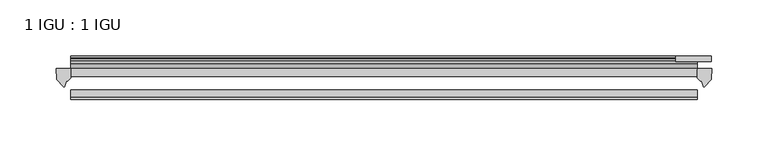
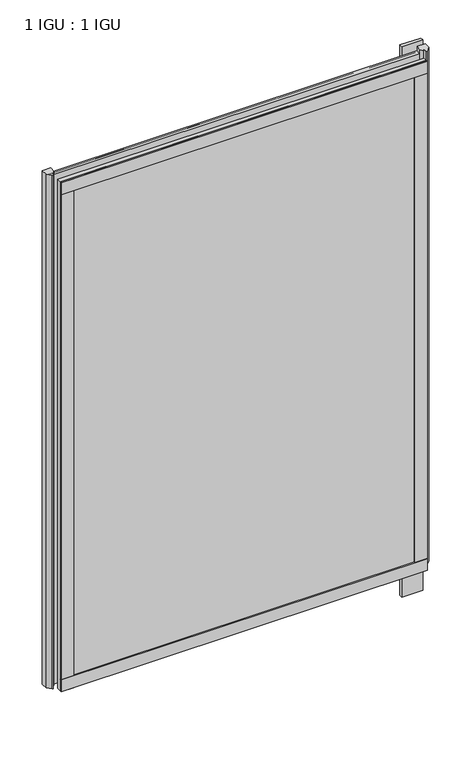
"""IFC4 building model written with IfcOpenShell, lengths in millimetres: plate geometry, 1 IGU : 1 IGU."""

from ifc_helpers import new_model, si_unit, point, frame, frame_2d, origin, place, context, project, spatial, polyline, circle_curve, trimmed, segment, composite_curve, outline, extrude, source, transform, mapped, element, save


def plate_1_igu_1_igu_58dce376(model_context):
    return source(origin(), model_context, "Body", "SweptSolid", [
        extrude(outline(polyline([(278.9031125, -11.6085937), (278.9031125, -18.8576359), (-278.9031125, -18.8576359), (-278.9031125, -11.6085937), (278.9031125, -11.6085937)])), frame((0.0, 0.0, -19.05), z_axis=(0.0, 0.0, 1.0), x_axis=(1.0, 0.0, 0.0)), (0.0, 0.0, 1.0), 819.1500001),
        extrude(outline(polyline([(-278.9031125, -30.7093937), (278.9031125, -30.7093937), (278.9031125, -37.0085937), (-278.9031125, -37.0085937), (-278.9031125, -30.7093937)])), frame((0.0, 0.0, -19.05), z_axis=(0.0, 0.0, 1.0), x_axis=(1.0, 0.0, 0.0)), (0.0, 0.0, 1.0), 819.1500001),
        extrude(outline(polyline([(291.6031125, -0.4960937), (291.6031125, -5.3578125), (259.8531125, -5.3578125), (259.8531125, -0.4960937), (291.6031125, -0.4960937)])), frame((0.0, 0.0, -76.2), z_axis=(0.0, 0.0, 1.0), x_axis=(1.0, 0.0, 0.0)), (0.0, 0.0, 1.0), 76.2),
        extrude(outline(polyline([(259.8531125, -5.3578125), (259.8531125, -0.4960937), (291.6031125, -0.4960937), (291.6031125, -5.3578125), (259.8531125, -5.3578125)])), frame((0.0, 0.0, 781.0500001), z_axis=(0.0, 0.0, 1.0), x_axis=(1.0, 0.0, 0.0)), (0.0, 0.0, 1.0), 28.575),
        extrude(outline(composite_curve([segment(polyline([(291.9810216, -11.6101465), (291.6031125, -21.3502133), (285.6650592, -27.6095865)]), True, "CONTINUOUS"), segment(trimmed(circle_curve(frame_2d((284.9922532, -27.2518492)), 0.762), [point((285.6650592, -27.6095865))], [point((284.2635489, -27.4746364))], False, "CARTESIAN"), True, "CONTINUOUS"), segment(polyline([(284.2635489, -27.4746364), (283.0017144, -23.3488397)]), True, "CONTINUOUS"), segment(trimmed(circle_curve(frame_2d((285.1836715, -16.3834724)), 7.2991286), [point((283.0017144, -23.3488397))], [point((278.9032911, -20.1028944))], False, "CARTESIAN"), True, "CONTINUOUS"), segment(polyline([(278.9032911, -20.1028944), (278.9032911, -12.664425)]), True, "CONTINUOUS"), segment(trimmed(circle_curve(frame_2d((285.1845456, -16.3827796)), 7.2993369), [point((278.9032911, -12.664425))], [point((279.6616575, -11.6101465))], False, "CARTESIAN"), True, "CONTINUOUS"), segment(polyline([(279.6616575, -11.6101465), (291.9810216, -11.6101465)]), True, "CONTINUOUS")], self_intersect=False)), frame((0.0, 0.0, -19.05), z_axis=(0.0, 0.0, 1.0), x_axis=(1.0, 0.0, 0.0)), (0.0, 0.0, 1.0), 826.2874001),
        extrude(outline(composite_curve([segment(polyline([(-278.9031125, -11.610702), (-278.9031125, -20.1014769)]), True, "CONTINUOUS"), segment(trimmed(circle_curve(frame_2d((-285.1843068, -16.3829847)), 7.2993552), [point((-278.9031125, -20.1014769))], [point((-283.0020623, -23.3484994))], False, "CARTESIAN"), True, "CONTINUOUS"), segment(polyline([(-283.0020623, -23.3484994), (-284.2635489, -27.4746364)]), True, "CONTINUOUS"), segment(trimmed(circle_curve(frame_2d((-284.9922532, -27.2518492)), 0.762), [point((-284.2635489, -27.4746364))], [point((-285.6650592, -27.6095865))], False, "CARTESIAN"), True, "CONTINUOUS"), segment(polyline([(-285.6650592, -27.6095865), (-291.6031125, -21.3502133), (-291.9810216, -11.610702), (-278.9031125, -11.610702)]), True, "CONTINUOUS")], self_intersect=False)), frame((0.0, 0.0, -19.05), z_axis=(0.0, 0.0, 1.0), x_axis=(1.0, 0.0, 0.0)), (0.0, 0.0, 1.0), 826.2874001),
        extrude(outline(polyline([(-11.6085937, -15.24), (-11.6085937, 2.8161565), (-0.5298609, 1.2591422), (-0.5298609, -0.6645794), (-5.258589, 0.0), (-5.258589, -4.826), (-1.575589, -4.826), (-1.575589, -7.874), (-5.258589, -7.874), (-5.258589, -13.208), (-3.099589, -13.208), (-3.099589, -15.24), (-11.6085937, -15.24)])), frame((-278.9031125, 0.0, 0.0), z_axis=(1.0, 0.0, 0.0), x_axis=(0.0, 1.0, 0.0)), (0.0, 0.0, 1.0), 557.806225),
        extrude(outline(polyline([(-278.9031125, -39.2945937), (-278.9031125, -37.0085937), (278.9031125, -37.0085937), (278.9031125, -39.2945937), (-278.9031125, -39.2945937)])), frame((0.0, 0.0, -19.05), z_axis=(0.0, 0.0, 1.0), x_axis=(1.0, 0.0, 0.0)), (0.0, 0.0, 1.0), 19.05),
        extrude(outline(composite_curve([segment(trimmed(circle_curve(frame_2d((-6.5285937, 792.521876)), 1.27), [point((-7.4547667, 793.390843))], [point((-5.2585937, 792.521876))], False, "CARTESIAN"), True, "CONTINUOUS"), segment(polyline([(-5.2585937, 792.521876), (-5.2585937, 789.3050001), (-3.3544944, 786.6297863), (-5.2585937, 786.284551), (-5.2585937, 781.0500001), (-2.385052, 781.0500001)]), True, "CONTINUOUS"), segment(trimmed(circle_curve(frame_2d((-3.2589487, 780.5317718)), 1.016), [point((-2.385052, 781.0500001))], [point((-3.236916, 779.5160107))], False, "CARTESIAN"), True, "CONTINUOUS"), segment(trimmed(circle_curve(frame_2d((-2.5575611, 748.1961025)), 31.3272753), [point((-3.236916, 779.5160107))], [point((-11.6085937, 778.1873843))], True, "CARTESIAN"), True, "CONTINUOUS"), segment(polyline([(-11.6085937, 778.1873843), (-11.6085937, 788.9635609), (-7.4547667, 793.390843)]), True, "CONTINUOUS")], self_intersect=False)), frame((-278.9031125, 0.0, 0.0), z_axis=(1.0, 0.0, 0.0), x_axis=(0.0, 1.0, 0.0)), (0.0, 0.0, 1.0), 557.806225),
        extrude(outline(polyline([(-278.9031125, -39.2945937), (-278.9031125, -37.0085937), (278.9031125, -37.0085937), (278.9031125, -39.2945937), (-278.9031125, -39.2945937)])), frame((0.0, 0.0, 781.0500001), z_axis=(0.0, 0.0, 1.0), x_axis=(1.0, 0.0, 0.0)), (0.0, 0.0, 1.0), 19.05),
        extrude(outline(polyline([(259.8531125, -37.0085937), (278.9031125, -37.0085937), (278.9031125, -39.2945938), (259.8531125, -39.2945938), (259.8531125, -37.0085937)])), frame((0.0, 0.0, -19.05), z_axis=(0.0, 0.0, 1.0), x_axis=(1.0, 0.0, 0.0)), (0.0, 0.0, 1.0), 819.1500001),
        extrude(outline(polyline([(-278.9031125, -39.2945937), (-278.9031125, -37.0085937), (-259.8531125, -37.0085937), (-259.8531125, -39.2945937), (-278.9031125, -39.2945937)])), frame((0.0, 0.0, -19.05), z_axis=(0.0, 0.0, 1.0), x_axis=(1.0, 0.0, 0.0)), (0.0, 0.0, 1.0), 819.1500001),
    ])


if __name__ == "__main__":
    model = new_model("IFC4")
    model_context = context("Model", 3, world=origin())
    ifc_project = project(units=[si_unit("LENGTHUNIT", "METRE", prefix="MILLI")], contexts=[model_context])
    site = spatial("IfcSite", under=ifc_project)
    building = spatial("IfcBuilding", under=site)
    placement = place(None, origin())
    plate_1_igu_1_igu_shape = plate_1_igu_1_igu_58dce376(model_context)
    element("IfcPlate", 1, ObjectType="1 IGU : 1 IGU", at=placement, inside=building, context=model_context, shape_type="MappedRepresentation", body=[
        mapped(plate_1_igu_1_igu_shape, transform((0.0, 0.0, 0.0), x_axis=(1.0, 0.0, 0.0), y_axis=(0.0, 1.0, 0.0), z_axis=(0.0, 0.0, 1.0))),
    ])
    save(model, "model.ifc")
